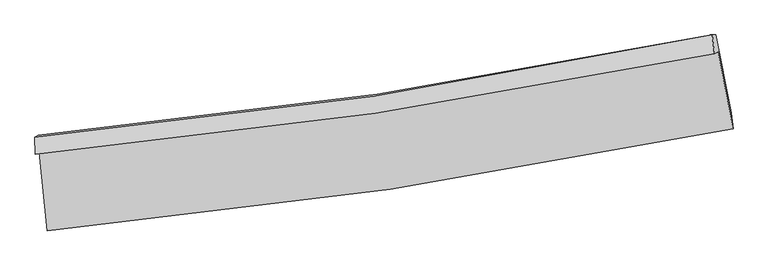
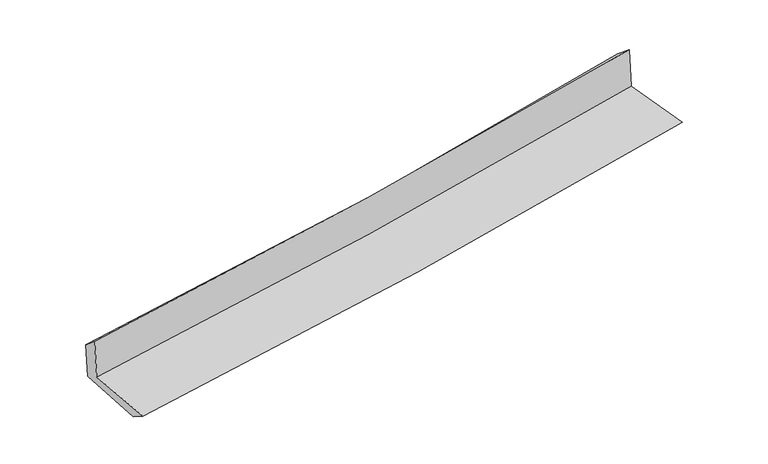
"""IFC4 building model written with IfcOpenShell, lengths in millimetres: proxy geometry."""

from ifc_helpers import new_model, si_unit, frame, origin, place, context, project, spatial, source, transform, mapped, element, save
from ifc_brep_helpers import plane_surface, spline_curve, spline_surface, advanced_brep


def generic_models_e898876d(model_context):
    return source(origin(), model_context, "Body", "AdvancedBrep", [
        advanced_brep(
        [(-2909.1365141, -1897.1152042, 1639.4498606), (-2840.1365997, -2565.5062093, 1611.568455), (2987.5836429, -1698.6089849, 2114.6815037), (2860.962958, -1043.6011907, 2137.4119992), (-2940.0366483, -1916.8647728, 2036.4286757), (2829.4831108, -1063.7212781, 2541.8384768), (-2944.3486172, -1771.4963873, 1913.3314953), (2810.2164034, -901.8207799, 2409.6572266), (-2917.1237137, -1754.0958125, 1563.5689389), (2840.7273275, -901.5832617, 2059.6633024), (-2847.093906, -2418.2977757, 1518.2016356), (2971.2887395, -1561.9308462, 2003.4333439)],
        [
            (0, 1),
            (1, 2, spline_curve(3, [(-2840.1365997, -2565.5062093, 1611.568455), (-1865.498056811, -2475.231947349, 1707.542381472), (-893.976860027, -2358.149513006, 1797.348665299), (1048.634027578, -2069.506031802, 1965.12715615), (2019.68624503, -1897.622724384, 2043.025221357), (2987.5836429, -1698.6089849, 2114.6815037)], [4, 2, 4], [0.0, 9.62732219483655, 19.312336381139968])),
            (2, 3),
            (3, 0, spline_curve(3, [(2860.962958, -1043.6011907, 2137.4119992), (1903.193618841, -1238.182971811, 2066.764555714), (942.020765111, -1406.734978915, 1989.80121385), (-981.386153425, -1690.930464048, 1823.738812702), (-1943.579790075, -1806.883127892, 1734.714775227), (-2909.1365141, -1897.1152042, 1639.4498606)], [4, 2, 4], [0.0, 9.685014186303418, 19.312336381139968])),
            (4, 0),
            (3, 5),
            (5, 4, spline_curve(3, [(2829.4831108, -1063.7212781, 2541.8384768), (1871.917124096, -1258.173088172, 2468.578533769), (910.894241039, -1426.629242789, 2389.688491881), (-1012.320073321, -1710.701626517, 2221.151682901), (-1974.470443608, -1826.626637122, 2131.571791022), (-2940.0366483, -1916.8647728, 2036.4286757)], [4, 2, 4], [0.0, 9.636164069253315, 19.214927138924935])),
            (6, 4),
            (5, 7),
            (7, 6, spline_curve(3, [(2810.2164034, -901.8207799, 2409.6572266), (1857.398591206, -1104.280906686, 2325.800872399), (899.996388634, -1278.115177388, 2242.389987745), (-1018.246405603, -1567.667023449, 2076.953368999), (-1979.032543179, -1683.724621994, 1994.922342979), (-2944.3486172, -1771.4963873, 1913.3314953)], [4, 2, 4], [0.0, 9.625633752470929, 19.19392923267623])),
            (8, 6),
            (7, 9),
            (9, 8, spline_curve(3, [(2840.7273275, -901.5832617, 2059.6633024), (1886.51458821, -1095.293709213, 1972.714566599), (928.141532157, -1263.32739608, 1887.781506005), (-991.191565449, -1547.193253185, 1722.440660634), (-1952.102189487, -1663.330416399, 1642.00893328), (-2917.1237137, -1754.0958125, 1563.5689389)], [4, 2, 4], [0.0, 9.615384746464976, 19.17349227225967])),
            (10, 8),
            (9, 11),
            (11, 10, spline_curve(3, [(2971.2887395, -1561.9308462, 2003.4333439), (2005.396261907, -1755.301210056, 1923.48366733), (1036.126298687, -1923.488483569, 1842.95032032), (-903.374701343, -2208.644997301, 1681.199484637), (-1873.565620291, -2325.913367231, 1599.988929083), (-2847.093906, -2418.2977757, 1518.2016356)], [4, 2, 4], [0.0, 9.66420394720399, 19.270839866015763])),
            (1, 10),
            (11, 2),
        ],
        [
            spline_surface(3, 3, [[(-2909.1365141, -1897.1152042, 1639.4498606), (-1943.579790164, -1806.88312799, 1734.714775358), (-981.386153286, -1690.930463922, 1823.738812813), (942.020764972, -1406.734979042, 1989.801213739), (1903.193618779, -1238.182971946, 2066.764555766), (2860.962958, -1043.6011907, 2137.4119992)], [(-2886.136542624, -2119.912205889, 1630.156058734), (-1917.552545702, -2029.666067757, 1725.657310683), (-952.249722232, -1913.33681365, 1814.942096999), (977.558519179, -1627.65866327, 1981.576527816), (1942.024494227, -1457.996222776, 2058.851444325), (2903.169852975, -1261.937122075, 2129.835167362)], [(-2863.136571176, -2342.709207611, 1620.862256866), (-1891.525301268, -2252.449007558, 1716.599846008), (-923.113291137, -2135.743163365, 1806.145381238), (1013.096273426, -1848.582347486, 1973.351841946), (1980.85536965, -1677.80947368, 2050.938332898), (2945.376747925, -1480.273053525, 2122.258335538)], [(-2840.1365997, -2565.5062093, 1611.568455), (-1865.498056806, -2475.231947325, 1707.542381333), (-893.976860082, -2358.149513093, 1797.348665424), (1048.634027633, -2069.506031713, 1965.127156024), (2019.686245098, -1897.62272451, 2043.025221457), (2987.5836429, -1698.6089849, 2114.6815037)]], [4, 4], [4, 2, 4], [0.0, 2.206409727482267], [0.0, 9.62732219483655, 19.312336381139968]),
            spline_surface(3, 3, [[(-2940.0366483, -1916.8647728, 2036.4286757), (-1974.47044371, -1826.626637107, 2131.571791019), (-1012.320073479, -1710.701626588, 2221.151682887), (910.894241197, -1426.629242717, 2389.688491895), (1871.917123965, -1258.173088329, 2468.57853374), (2829.4831108, -1063.7212781, 2541.8384768)], [(-2929.736603569, -1910.281583283, 1904.102403993), (-1964.173559197, -1820.045467417, 1999.286119125), (-1002.008766723, -1704.111239041, 2088.680726212), (921.269749147, -1419.9978215, 2256.392732526), (1882.342622224, -1251.509716214, 2334.640541108), (2839.976393188, -1057.014582312, 2407.029650959)], [(-2919.436558831, -1903.698393717, 1771.776132307), (-1953.876674678, -1813.464297679, 1867.000447252), (-991.697460042, -1697.520851469, 1956.209769487), (931.645257022, -1413.366400259, 2123.096973108), (1892.76812052, -1244.846344062, 2200.702548398), (2850.469675612, -1050.307886488, 2272.220825041)], [(-2909.1365141, -1897.1152042, 1639.4498606), (-1943.579790164, -1806.88312799, 1734.714775358), (-981.386153286, -1690.930463922, 1823.738812813), (942.020764972, -1406.734979042, 1989.801213739), (1903.193618779, -1238.182971946, 2066.764555766), (2860.962958, -1043.6011907, 2137.4119992)]], [4, 4], [4, 2, 4], [0.0, 1.3135003498978124], [0.0, 9.57876306967162, 19.214927138924935]),
            spline_surface(3, 3, [[(-2944.3486172, -1771.4963873, 1913.3314953), (-1979.03254333, -1683.724622066, 1994.922342989), (-1018.246405693, -1567.667023477, 2076.953368848), (899.996388725, -1278.115177359, 2242.389987897), (1857.398591261, -1104.280906815, 2325.800872506), (2810.2164034, -901.8207799, 2409.6572266)], [(-2942.911294236, -1819.952515788, 1954.36388875), (-1977.511843459, -1731.358627067, 2040.472158982), (-1016.270961638, -1615.345224517, 2125.019473506), (903.6290062, -1327.619865814, 2291.489489208), (1862.238102164, -1155.578300644, 2373.393426244), (2816.638639201, -955.787612624, 2453.717643327)], [(-2941.473971264, -1868.408644312, 1995.39628225), (-1975.991143581, -1778.992632106, 2086.021975026), (-1014.295517534, -1663.023425549, 2173.085578229), (907.261623723, -1377.124554262, 2340.588990584), (1867.077613062, -1206.8756945, 2420.985980002), (2823.060874999, -1009.754445376, 2497.778060073)], [(-2940.0366483, -1916.8647728, 2036.4286757), (-1974.47044371, -1826.626637107, 2131.571791019), (-1012.320073479, -1710.701626588, 2221.151682887), (910.894241197, -1426.629242717, 2389.688491895), (1871.917123965, -1258.173088329, 2468.57853374), (2829.4831108, -1063.7212781, 2541.8384768)]], [4, 4], [4, 2, 4], [0.0, 0.6769289041778842], [0.0, 9.5682954802053, 19.19392923267623]),
            spline_surface(3, 3, [[(-2917.1237137, -1754.0958125, 1563.5689389), (-1952.102189593, -1663.330416515, 1642.008933363), (-991.191565337, -1547.193253202, 1722.440660683), (928.141532045, -1263.327396063, 1887.781505956), (1886.514588191, -1095.29370911, 1972.714566488), (2840.7273275, -901.5832617, 2059.6633024)], [(-2926.198681531, -1759.896004116, 1680.156457714), (-1961.07897417, -1670.128485047, 1759.646736586), (-1000.209845444, -1554.017843265, 1840.611563416), (918.759817617, -1268.256656465, 2005.984333281), (1876.809255898, -1098.289441695, 2090.410001834), (2830.557019484, -901.66243445, 2176.327943806)], [(-2935.273649369, -1765.696195684, 1796.743976486), (-1970.055758754, -1676.926553533, 1877.284539766), (-1009.228125586, -1560.842433415, 1958.782466115), (909.378103153, -1273.185916957, 2124.187160572), (1867.103923554, -1101.28517423, 2208.10543716), (2820.386711416, -901.74160715, 2292.992585194)], [(-2944.3486172, -1771.4963873, 1913.3314953), (-1979.03254333, -1683.724622066, 1994.922342989), (-1018.246405693, -1567.667023477, 2076.953368848), (899.996388725, -1278.115177359, 2242.389987897), (1857.398591261, -1104.280906815, 2325.800872506), (2810.2164034, -901.8207799, 2409.6572266)]], [4, 4], [4, 2, 4], [0.0, 1.1682074025057818], [0.0, 9.558107525794693, 19.17349227225967]),
            spline_surface(3, 3, [[(-2847.093906, -2418.2977757, 1518.2016356), (-1873.565620258, -2325.913367219, 1599.98892904), (-903.37470144, -2208.644997395, 1681.199484607), (1036.126298784, -1923.488483475, 1842.95032035), (2005.39626176, -1755.301210099, 1923.483667488), (2971.2887395, -1561.9308462, 2003.4333439)], [(-2870.437175234, -2196.897121302, 1533.324070047), (-1899.744476703, -2105.052383653, 1613.995597161), (-932.646989408, -1988.161082677, 1694.94654332), (1000.131376535, -1703.434787683, 1857.894048906), (1965.769037216, -1535.298709754, 1939.893967128), (2927.768268812, -1341.814984684, 2022.176663373)], [(-2893.780444466, -1975.496466898, 1548.446504453), (-1925.923333148, -1884.19140008, 1628.002265241), (-961.919277369, -1767.67716792, 1708.69360197), (964.136454294, -1483.381091854, 1872.8377774), (1926.141812735, -1315.296209455, 1956.304266848), (2884.247798188, -1121.699123216, 2040.919982927)], [(-2917.1237137, -1754.0958125, 1563.5689389), (-1952.102189593, -1663.330416515, 1642.008933363), (-991.191565337, -1547.193253202, 1722.440660683), (928.141532045, -1263.327396063, 1887.781505956), (1886.514588191, -1095.29370911, 1972.714566488), (2840.7273275, -901.5832617, 2059.6633024)]], [4, 4], [4, 2, 4], [0.0, 2.196226320483348], [0.0, 9.606635918811772, 19.270839866015763]),
            spline_surface(3, 3, [[(-2840.1365997, -2565.5062093, 1611.568455), (-1865.498056806, -2475.231947325, 1707.542381333), (-893.976860082, -2358.149513093, 1797.348665424), (1048.634027633, -2069.506031713, 1965.127156024), (2019.686245098, -1897.62272451, 2043.025221457), (2987.5836429, -1698.6089849, 2114.6815037)], [(-2842.455701807, -2516.436731423, 1580.446181862), (-1868.18724463, -2425.459087279, 1671.691230564), (-897.109473872, -2308.314674529, 1758.632271809), (1044.464784679, -2020.833515636, 1924.401544123), (2014.922917325, -1850.182219727, 2003.178036806), (2982.15200844, -1653.049605355, 2077.598783772)], [(-2844.774803893, -2467.367253577, 1549.323908738), (-1870.876432433, -2375.686227265, 1635.840079809), (-900.242087649, -2258.479835959, 1719.915878222), (1040.295541738, -1972.160999552, 1883.675932251), (2010.159589533, -1802.741714881, 1963.330852139), (2976.72037396, -1607.490225745, 2040.516063828)], [(-2847.093906, -2418.2977757, 1518.2016356), (-1873.565620258, -2325.913367219, 1599.98892904), (-903.37470144, -2208.644997395, 1681.199484607), (1036.126298784, -1923.488483475, 1842.95032035), (2005.39626176, -1755.301210099, 1923.483667488), (2971.2887395, -1561.9308462, 2003.4333439)]], [4, 4], [4, 2, 4], [0.0, 0.6238297251490428], [0.0, 9.665392701614675, 19.388705533248945]),
            plane_surface(frame((2883.3770303, -1195.2110569, 2211.1143088), z_axis=(0.9787803591764014, 0.1862443028744753, 0.08545213945429087), x_axis=(-0.08684618931923496, -0.0006760711296875672, 0.9962215026431398))),
            plane_surface(frame((-2899.6459999, -2053.896027, 1713.7581768), z_axis=(-0.991698517685223, -0.09895051776528481, -0.0821148284715619), x_axis=(-0.10259885390453959, 0.9938584945764118, 0.041458026192567506))),
        ],
        [
            (0, [[1, 2, 3, 4]]),
            (1, [[5, -4, 6, 7]]),
            (2, [[8, -7, 9, 10]]),
            (3, [[11, -10, 12, 13]]),
            (4, [[14, -13, 15, 16]]),
            (5, [[17, -16, 18, -2]]),
            (6, [[-12, -9, -6, -3, -18, -15]]),
            (7, [[-1, -5, -8, -11, -14, -17]]),
        ],
    ),
    ])


if __name__ == "__main__":
    model = new_model("IFC4")
    model_context = context("Model", 3, world=origin())
    ifc_project = project(units=[si_unit("LENGTHUNIT", "METRE", prefix="MILLI")], contexts=[model_context])
    site = spatial("IfcSite", under=ifc_project)
    building = spatial("IfcBuilding", under=site)
    placement = place(None, origin())
    generic_models_shape = generic_models_e898876d(model_context)
    element("IfcBuildingElementProxy", 1, Name="Generic Models", at=placement, inside=building, context=model_context, shape_type="MappedRepresentation", body=[
        mapped(generic_models_shape, transform((0.0, 0.0, 0.0), x_axis=(1.0, 0.0, 0.0), y_axis=(0.0, 1.0, 0.0), z_axis=(0.0, 0.0, 1.0))),
    ])
    save(model, "model.ifc")
